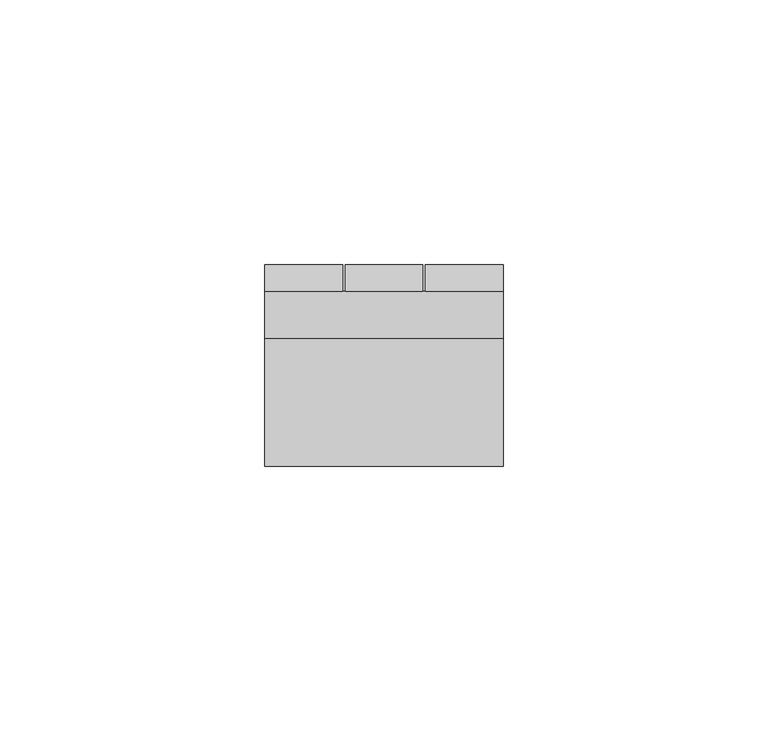
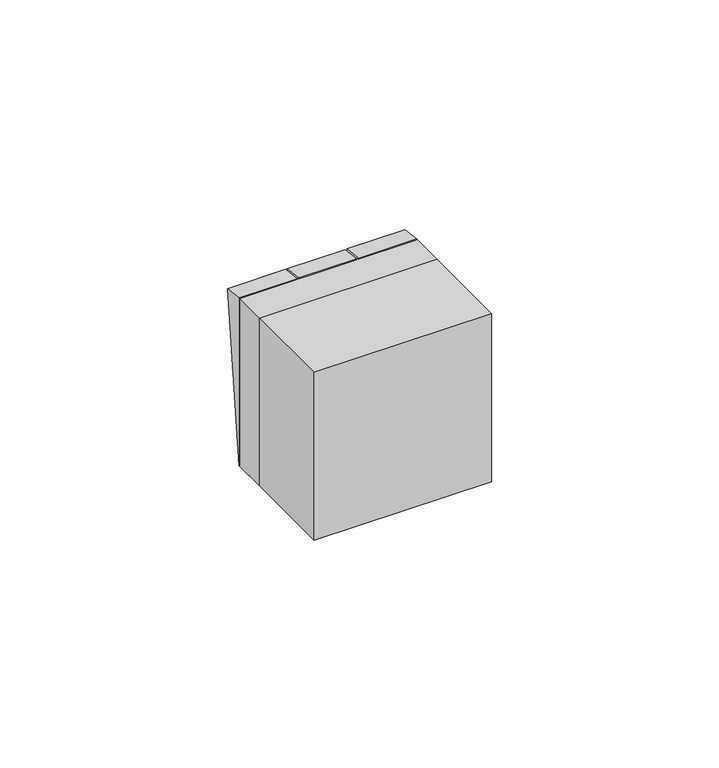
"""IFC4 building model written with IfcOpenShell, lengths in millimetres: switching device geometry."""

from ifc_helpers import new_model, si_unit, frame, origin, place, context, project, spatial, polyline, outline, extrude, source, transform, mapped, element, save


def switching_device_68b959bf(model_context):
    return source(origin(), model_context, "Body", "SweptSolid", [
        extrude(outline(polyline([(9.0, -22.5), (9.0, 22.5), (13.9850961, 21.9408026), (9.0, -22.5)])), frame((7.8, 0.0, 0.0), z_axis=(1.0, 0.0, 0.0), x_axis=(0.0, 1.0, 0.0)), (0.0, 0.0, 1.0), 14.7),
        extrude(outline(polyline([(9.0, -22.5), (9.0, 22.5), (13.9850961, 21.9408026), (9.0, -22.5)])), frame((-7.35, 0.0, 0.0), z_axis=(1.0, 0.0, 0.0), x_axis=(0.0, 1.0, 0.0)), (0.0, 0.0, 1.0), 14.7),
        extrude(outline(polyline([(9.0, -22.5), (9.0, 22.5), (13.9850961, 21.9408026), (9.0, -22.5)])), frame((-22.5, 0.0, 0.0), z_axis=(1.0, 0.0, 0.0), x_axis=(0.0, 1.0, 0.0)), (0.0, 0.0, 1.0), 14.7),
        extrude(outline(polyline([(22.5, -24.0), (-22.5, -24.0), (-22.5, 0.0), (22.5, 0.0), (22.5, -24.0)])), frame((0.0, 0.0, -22.5), z_axis=(0.0, 0.0, 1.0), x_axis=(1.0, 0.0, 0.0)), (0.0, 0.0, 1.0), 45.0),
        extrude(outline(polyline([(22.5, 0.0), (-22.5, 0.0), (-22.5, 9.0), (22.5, 9.0), (22.5, 0.0)])), frame((0.0, 0.0, -22.5), z_axis=(0.0, 0.0, 1.0), x_axis=(1.0, 0.0, 0.0)), (0.0, 0.0, 1.0), 45.0),
    ])


if __name__ == "__main__":
    model = new_model("IFC4")
    model_context = context("Model", 3, world=origin())
    ifc_project = project(units=[si_unit("LENGTHUNIT", "METRE", prefix="MILLI")], contexts=[model_context])
    site = spatial("IfcSite", under=ifc_project)
    building = spatial("IfcBuilding", under=site)
    placement = place(None, origin())
    switching_device_shape = switching_device_68b959bf(model_context)
    element("IfcSwitchingDevice", 1, at=placement, inside=building, context=model_context, shape_type="MappedRepresentation", body=[
        mapped(switching_device_shape, transform((0.0, 0.0, 0.0), x_axis=(1.0, 0.0, 0.0), y_axis=(0.0, 1.0, 0.0), z_axis=(0.0, 0.0, 1.0))),
    ])
    save(model, "model.ifc")
